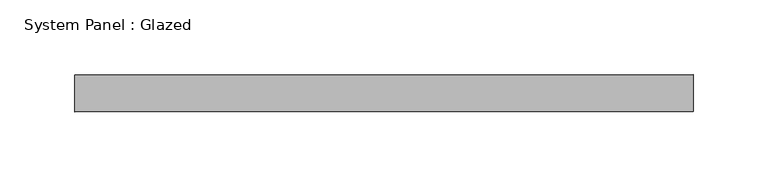
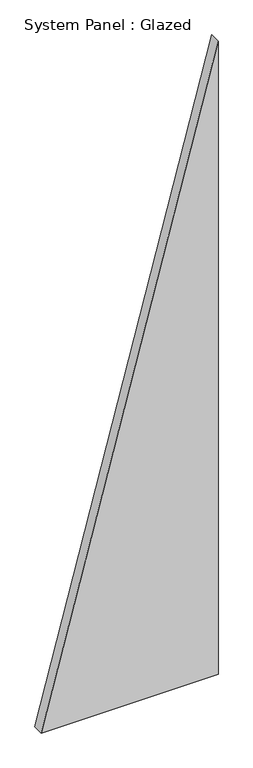
"""IFC4 building model written with IfcOpenShell, lengths in millimetres: plate geometry, System Panel : Glazed."""

from ifc_helpers import new_model, si_unit, frame, origin, place, context, project, spatial, polyline, outline, extrude, source, transform, mapped, element, save


def system_panel_glazed_5528c1f0(model_context):
    return source(origin(), model_context, "Body", "SweptSolid", [
        extrude(outline(polyline([(0.0, -207.1428573), (0.0, 207.1428573), (1567.5675687, 207.1428573), (0.0, -207.1428573)])), frame((0.0, 24.5, 0.0), z_axis=(0.0, 1.0, 0.0), x_axis=(0.0, 0.0, 1.0)), (0.0, 0.0, 1.0), 25.0),
    ])


if __name__ == "__main__":
    model = new_model("IFC4")
    model_context = context("Model", 3, world=origin())
    ifc_project = project(units=[si_unit("LENGTHUNIT", "METRE", prefix="MILLI")], contexts=[model_context])
    site = spatial("IfcSite", under=ifc_project)
    building = spatial("IfcBuilding", under=site)
    placement = place(None, origin())
    system_panel_glazed_shape = system_panel_glazed_5528c1f0(model_context)
    element("IfcPlate", 1, ObjectType="System Panel : Glazed", at=placement, inside=building, context=model_context, shape_type="MappedRepresentation", body=[
        mapped(system_panel_glazed_shape, transform((0.0, 0.0, 0.0), x_axis=(1.0, 0.0, 0.0), y_axis=(0.0, 1.0, 0.0), z_axis=(0.0, 0.0, 1.0))),
    ])
    save(model, "model.ifc")
